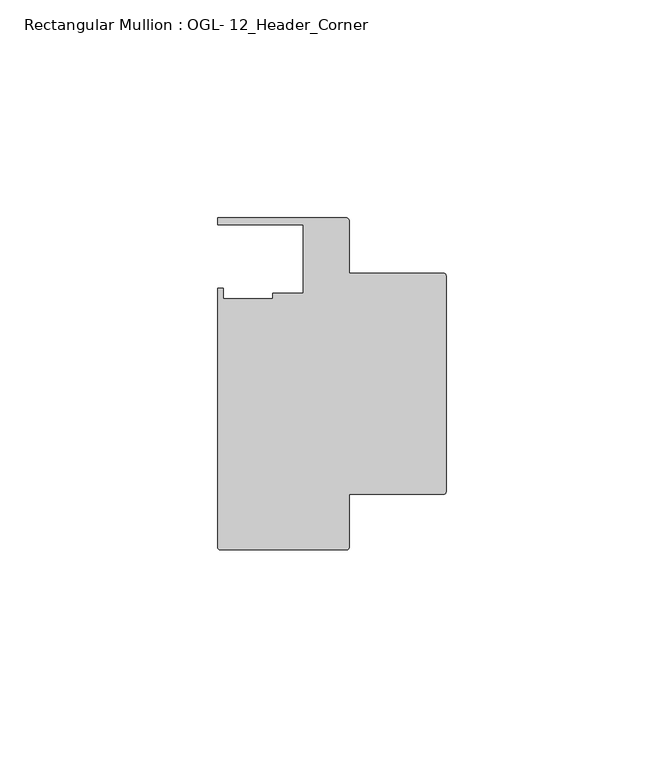
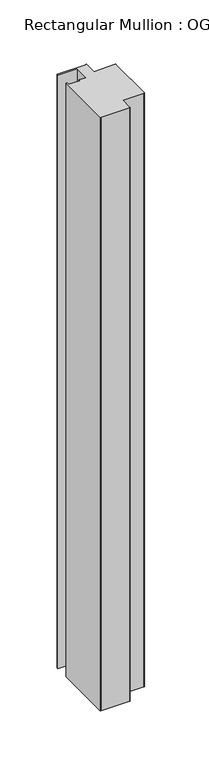
"""IFC4 building model written with IfcOpenShell, lengths in millimetres: member geometry, Rectangular Mullion : OGL- 12_Header_Corner."""

from ifc_helpers import new_model, si_unit, point, frame, frame_2d, origin, place, context, project, spatial, polyline, circle_curve, trimmed, segment, composite_curve, outline, extrude, source, transform, mapped, element, save


def rectangular_mullion_ogl_12_header_corner_f2ae67ad(model_context):
    return source(origin(), model_context, "Body", "SweptSolid", [
        extrude(outline(composite_curve([segment(polyline([(-0.5953125, -55.5625), (-22.2332898, -55.5625), (-22.2332898, -67.6668667)]), True, "CONTINUOUS"), segment(trimmed(circle_curve(frame_2d((-22.8286023, -67.6668667)), 0.5953125), [point((-22.2332898, -67.6668667))], [point((-22.8286023, -68.2621792))], False, "CARTESIAN"), True, "CONTINUOUS"), segment(polyline([(-22.8286023, -68.2621792), (-51.7968699, -68.2621792)]), True, "CONTINUOUS"), segment(trimmed(circle_curve(frame_2d((-51.7968699, -67.6668667)), 0.5953125), [point((-51.7968699, -68.2621792))], [point((-52.3921824, -67.6668667))], False, "CARTESIAN"), True, "CONTINUOUS"), segment(polyline([(-52.3921824, -67.6668667), (-52.3921824, -8.1914024), (-51.1362531, -8.1914024), (-51.1362531, -10.6800725), (-39.7567771, -10.6800725), (-39.7567771, -9.3367652), (-32.730302, -9.3367652), (-32.730302, 6.350016), (-52.3830881, 6.350016), (-52.3830881, 7.937516), (-22.8763468, 7.937516)]), True, "CONTINUOUS"), segment(trimmed(circle_curve(frame_2d((-22.8763468, 7.294459)), 0.643057), [point((-22.8763468, 7.937516))], [point((-22.2332898, 7.294459))], False, "CARTESIAN"), True, "CONTINUOUS"), segment(polyline([(-22.2332898, 7.294459), (-22.2332898, -4.7625), (-0.5953125, -4.7625)]), True, "CONTINUOUS"), segment(trimmed(circle_curve(frame_2d((-0.5953125, -5.3578125)), 0.5953125), [point((-0.5953125, -4.7625))], [point((0.0, -5.3578125))], False, "CARTESIAN"), True, "CONTINUOUS"), segment(polyline([(0.0, -5.3578125), (0.0, -54.9671875)]), True, "CONTINUOUS"), segment(trimmed(circle_curve(frame_2d((-0.5953125, -54.9671875)), 0.5953125), [point((0.0, -54.9671875))], [point((-0.5953125, -55.5625))], False, "CARTESIAN"), True, "CONTINUOUS")], self_intersect=False)), frame((0.0, 0.0, -635.0), z_axis=(0.0, 0.0, 1.0), x_axis=(1.0, 0.0, 0.0)), (0.0, 0.0, 1.0), 635.0),
    ])


if __name__ == "__main__":
    model = new_model("IFC4")
    model_context = context("Model", 3, world=origin())
    ifc_project = project(units=[si_unit("LENGTHUNIT", "METRE", prefix="MILLI")], contexts=[model_context])
    site = spatial("IfcSite", under=ifc_project)
    building = spatial("IfcBuilding", under=site)
    placement = place(None, origin())
    rectangular_mullion_ogl_12_header_corner_shape = rectangular_mullion_ogl_12_header_corner_f2ae67ad(model_context)
    element("IfcMember", 1, ObjectType="Rectangular Mullion : OGL- 12_Header_Corner", at=placement, inside=building, context=model_context, shape_type="MappedRepresentation", body=[
        mapped(rectangular_mullion_ogl_12_header_corner_shape, transform((0.0, 0.0, 0.0), x_axis=(1.0, 0.0, 0.0), y_axis=(0.0, 1.0, 0.0), z_axis=(0.0, 0.0, 1.0))),
    ])
    save(model, "model.ifc")
